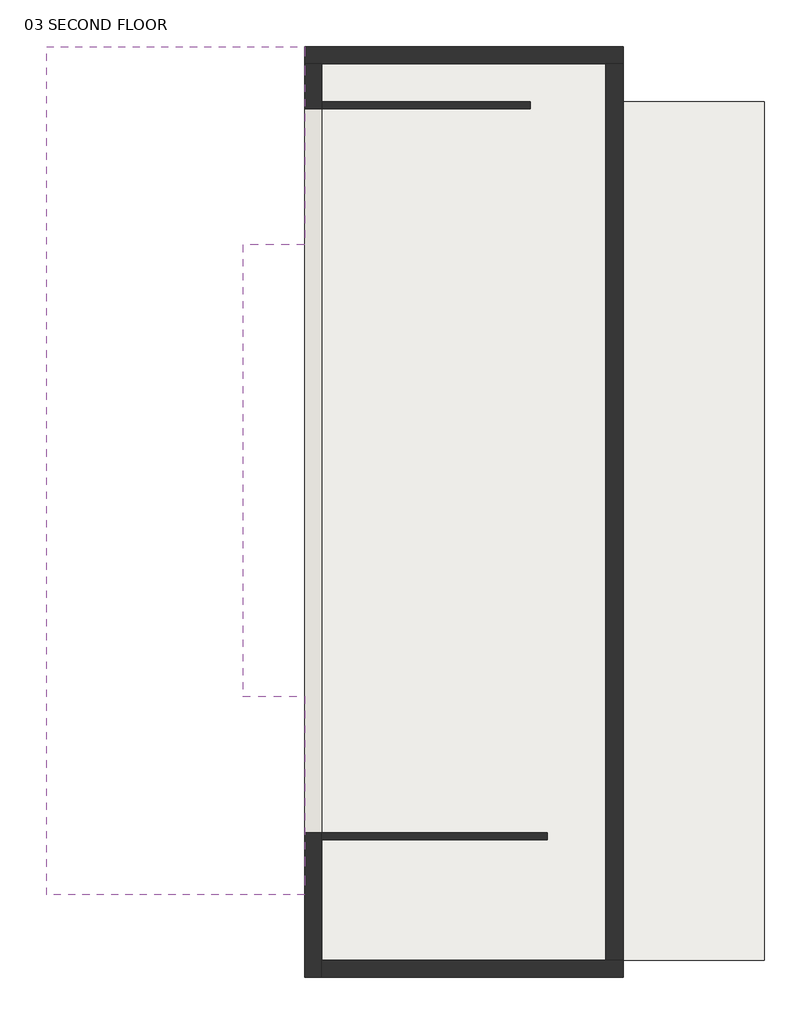
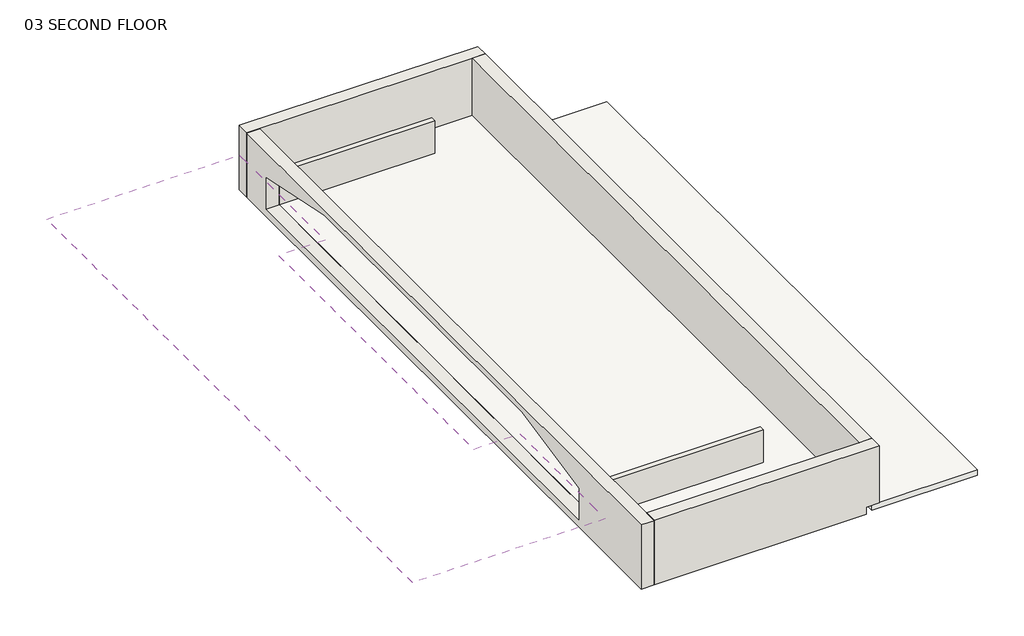
# One storey: 6 walls, 2 roofs, 1 slab.
"""IFC4 building model written with IfcOpenShell, lengths in millimetres."""

from ifc_helpers import new_model, si_unit, frame, origin, place, context, project, spatial, polyline, outline, extrude, faceted_brep, element, save

model = new_model("IFC4")

# Units and contexts
model_context = context("Model", 3, world=origin())
ifc_project = project(units=[si_unit("LENGTHUNIT", "METRE", prefix="MILLI")], contexts=[model_context])

# Site, building, storey
site = spatial("IfcSite", under=ifc_project)
building = spatial("IfcBuilding", under=site)
storey = spatial("IfcBuildingStorey", under=building, Name="03 SECOND FLOOR", Elevation=3657.6)

# Roofs
placement = place(None, origin())
element("IfcRoof", 1, ObjectType="FLAT ROOF", at=placement, inside=storey, context=model_context, shape_type="SweptSolid", body=[
    extrude(outline(polyline([(12996.7583018, -19558.0189702), (12996.7583018, 5765.7810298), (17162.3583018, 5765.7810298), (17162.3583018, -19558.0189702), (12996.7583018, -19558.0189702)])), frame((0.0, 0.0, 3048.0), z_axis=(0.0, 0.0, 1.0), x_axis=(1.0, 0.0, 0.0)), (0.0, 0.0, 1.0), 228.6),
])
element("IfcRoof", 2, ObjectType="FLAT ROOF", at=placement, inside=storey, context=model_context, shape_type="Brep", body=[
    faceted_brep([(3598.7583018, -16506.7793927, 4805.5082453), (-2903.5857209, -16506.7793927, 4805.5082453), (1773.6591821, -11775.4589702, 5791.2), (3598.7583018, -11775.4589702, 5791.2), (-2903.5857209, 6270.5414524, 4805.5082453), (3598.7583018, 6270.5414524, 4805.5082453), (3598.7583018, 1539.2210298, 5791.2), (1773.6591821, 1539.2210298, 5791.2), (-4012.150753, -17627.6189702, 4805.5082453), (3598.7583018, -17627.6189702, 4805.5082453), (3598.7583018, -11775.4589702, 6024.7082453), (1773.6591821, -11775.4589702, 6024.7082453), (1773.6591821, -11774.916947, 6024.8211668), (3598.7583018, 7391.3810298, 4805.5082453), (-4012.150753, 7391.3810298, 4805.5082453), (1773.6591821, 1538.6790066, 6024.8211668), (1773.6591821, 1539.2210298, 6024.7082453), (3598.7583018, 1539.2210298, 6024.7082453)], [[[0, 1, 2, 3]], [[4, 5, 6, 7]], [[1, 4, 7, 2]], [[8, 9, 10, 11, 12]], [[13, 14, 15, 16, 17]], [[14, 8, 12, 15]], [[1, 0, 9, 8, 14, 13, 5, 4]], [[5, 13, 17, 6]], [[9, 0, 3, 10]], [[16, 7, 6, 17]], [[7, 16, 15, 12, 11, 2]], [[2, 11, 10, 3]]]),
])

# Slab
element("IfcSlab", 3, ObjectType="Generic - 12\"", at=placement, inside=storey, context=model_context, shape_type="SweptSolid", body=[
    extrude(outline(polyline([(4106.7583018, 6883.3810298), (12488.7583018, 6883.3810298), (12488.7583018, -19558.0189702), (4106.7583018, -19558.0189702), (4106.7583018, 6883.3810298)])), frame((0.0, 0.0, 3352.8), z_axis=(0.0, 0.0, 1.0), x_axis=(1.0, 0.0, 0.0)), (0.0, 0.0, 1.0), 304.8),
])

# Walls
element("IfcWall", 4, ObjectType="ADOBE", at=placement, inside=storey, context=model_context, shape_type="Brep", body=[
    faceted_brep([(4106.7583018, -20066.0189702, 3352.8), (4106.7583018, -19558.0189702, 3352.8), (4106.7583018, 6883.3810298, 3352.8), (4106.7583018, 6883.3810298, 6032.5), (4106.7583018, -20066.0189702, 6032.5), (4106.7583018, -15798.8189702, 4974.1666667), (4106.7583018, -11877.0589702, 5791.2), (4106.7583018, 1640.8210298, 5791.2), (4106.7583018, 5562.5810298, 4974.1666667), (4106.7583018, 5562.5810298, 3657.6), (4106.7583018, -15798.8189702, 3657.6), (3598.7583018, -20066.0189702, 3352.8), (3598.7583018, -20066.0189702, 6032.5), (3598.7583018, 6883.3810298, 6032.5), (3598.7583018, 6883.3810298, 3352.8), (3598.7583018, 6273.7810298, 3352.8), (3598.7583018, 5765.7810298, 3352.8), (3598.7583018, -16002.0189702, 3352.8), (3598.7583018, -16510.0189702, 3352.8), (3598.7583018, -15798.8189702, 4974.1666667), (3598.7583018, -15798.8189702, 3657.6), (3598.7583018, 5562.5810298, 3657.6), (3598.7583018, 5562.5810298, 4974.1666667), (3598.7583018, 1640.8210298, 5791.2), (3598.7583018, -11877.0589702, 5791.2)], [[[0, 1, 2, 3, 4], [5, 6, 7, 8, 9, 10]], [[11, 12, 13, 14, 15, 16, 17, 18], [19, 20, 21, 22, 23, 24]], [[2, 1, 0, 11, 18, 17, 16, 15, 14]], [[4, 3, 13, 12]], [[6, 5, 19, 24]], [[7, 6, 24, 23]], [[8, 7, 23, 22]], [[10, 9, 21, 20]], [[0, 4, 12, 11]], [[3, 2, 14, 13]], [[9, 8, 22, 21]], [[5, 10, 20, 19]]]),
])
element("IfcWall", 5, ObjectType="ADOBE", at=placement, inside=storey, context=model_context, shape_type="Brep", body=[
    faceted_brep([(3598.7583018, 6883.3810298, 3352.8), (4106.7583018, 6883.3810298, 3352.8), (12488.7583018, 6883.3810298, 3352.8), (12996.7583018, 6883.3810298, 3352.8), (12996.7583018, 6883.3810298, 6045.2), (12488.7583018, 6883.3810298, 6045.2), (3598.7583018, 6883.3810298, 6045.2), (3598.7583018, 6883.3810298, 6032.5), (3598.7583018, 7391.3810298, 3352.8), (3598.7583018, 7391.3810298, 6045.2), (12996.7583018, 7391.3810298, 6045.2), (12996.7583018, 7391.3810298, 3352.8)], [[[0, 1, 2, 3, 4, 5, 6, 7]], [[8, 9, 10, 11]], [[3, 2, 1, 0, 8, 11]], [[6, 5, 4, 10, 9]], [[4, 3, 11, 10]], [[0, 7, 6, 9, 8]]]),
])
element("IfcWall", 6, ObjectType="ADOBE", at=placement, inside=storey, context=model_context, shape_type="Brep", body=[
    faceted_brep([(4106.7583018, -20066.0189702, 3352.8), (12488.7583018, -20066.0189702, 3352.8), (12488.7583018, -20066.0189702, 3657.6), (12996.7583018, -20066.0189702, 3657.6), (12996.7583018, -20066.0189702, 6045.2), (4106.7583018, -20066.0189702, 6045.2), (4106.7583018, -20066.0189702, 6032.5), (4106.7583018, -19558.0189702, 3352.8), (4106.7583018, -19558.0189702, 6045.2), (12488.7583018, -19558.0189702, 6045.2), (12996.7583018, -19558.0189702, 6045.2), (12996.7583018, -19558.0189702, 3657.6), (12488.7583018, -19558.0189702, 3657.6), (12488.7583018, -19558.0189702, 3352.8)], [[[0, 1, 2, 3, 4, 5, 6]], [[7, 8, 9, 10, 11, 12, 13]], [[1, 0, 7, 13]], [[5, 4, 10, 9, 8]], [[0, 6, 5, 8, 7]], [[11, 3, 2, 12]], [[2, 1, 13, 12]], [[4, 3, 11, 10]]]),
])
element("IfcWall", 7, ObjectType="ADOBE INTERIOR", at=placement, inside=storey, context=model_context, shape_type="Brep", body=[
    faceted_brep([(12488.7583018, 6883.3810298, 3352.8), (12488.7583018, -19558.0189702, 3352.8), (12488.7583018, -19558.0189702, 6045.2), (12488.7583018, 6883.3810298, 6045.2), (12996.7583018, 6883.3810298, 3352.8), (12996.7583018, 6883.3810298, 6045.2), (12996.7583018, -19558.0189702, 6045.2), (12996.7583018, -19558.0189702, 3657.6), (12996.7583018, -19558.0189702, 3352.8)], [[[0, 1, 2, 3]], [[4, 5, 6, 7, 8]], [[1, 0, 4, 8]], [[3, 2, 6, 5]], [[0, 3, 5, 4]], [[1, 8, 7, 6, 2]]]),
])
element("IfcWall", 8, ObjectType="Generic - 8\"", at=placement, inside=storey, context=model_context, shape_type="Brep", body=[
    faceted_brep([(4106.7583018, 5562.5810298, 5029.2), (4106.7583018, 5562.5810298, 4974.1666667), (4106.7583018, 5562.5810298, 3657.6), (10253.5583018, 5562.5810298, 3657.6), (10253.5583018, 5562.5810298, 5029.2), (4106.7583018, 5765.7810298, 3657.6), (4106.7583018, 5765.7810298, 5029.2), (10253.5583018, 5765.7810298, 5029.2), (10253.5583018, 5765.7810298, 3657.6)], [[[0, 1, 2, 3, 4]], [[5, 6, 7, 8]], [[3, 2, 5, 8]], [[4, 3, 8, 7]], [[0, 4, 7, 6]], [[0, 6, 5, 2, 1]]]),
])
element("IfcWall", 9, ObjectType="Generic - 8\"", at=placement, inside=storey, context=model_context, shape_type="Brep", body=[
    faceted_brep([(4106.7583018, -16002.0189702, 5029.2), (4106.7583018, -16002.0189702, 3657.6), (10761.5583018, -16002.0189702, 3657.6), (10761.5583018, -16002.0189702, 5029.2), (4106.7583018, -15798.8189702, 3657.6), (4106.7583018, -15798.8189702, 4974.1666667), (4106.7583018, -15798.8189702, 5029.2), (10761.5583018, -15798.8189702, 5029.2), (10761.5583018, -15798.8189702, 3657.6)], [[[0, 1, 2, 3]], [[4, 5, 6, 7, 8]], [[2, 1, 4, 8]], [[3, 2, 8, 7]], [[0, 3, 7, 6]], [[0, 6, 5, 4, 1]]]),
])

save(model, "model.ifc")
